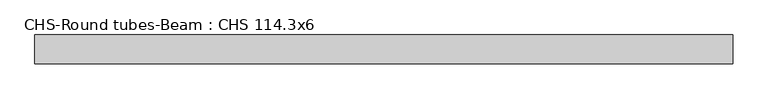
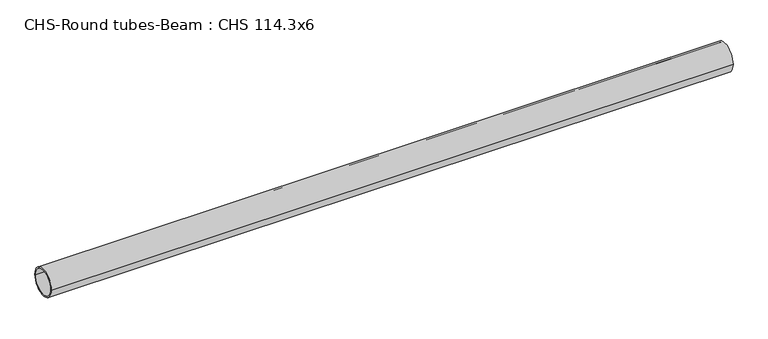
"""IFC4 building model written with IfcOpenShell, lengths in millimetres: beam geometry, CHS-Round tubes-Beam : CHS 114.3x6."""

from ifc_helpers import new_model, si_unit, point, frame, origin, origin_2d, place, context, project, spatial, circle_curve, trimmed, segment, composite_curve, outline, extrude, source, transform, mapped, element, save


def chs_round_tubes_beam_chs_114_3x6_51c2eecc(model_context):
    return source(origin(), model_context, "Body", "SweptSolid", [
        extrude(outline(composite_curve([segment(trimmed(circle_curve(origin_2d(), 57.15), [point((57.15, 0.0))], [point((-57.15, 0.0))], False, "CARTESIAN"), True, "CONTINUOUS"), segment(trimmed(circle_curve(origin_2d(), 57.15), [point((-57.15, 0.0))], [point((57.15, 0.0))], False, "CARTESIAN"), True, "CONTINUOUS")], self_intersect=False), holes=[composite_curve([segment(trimmed(circle_curve(origin_2d(), 51.15), [point((51.15, 0.0))], [point((-51.15, 0.0))], True, "CARTESIAN"), True, "CONTINUOUS"), segment(trimmed(circle_curve(origin_2d(), 51.15), [point((-51.15, 0.0))], [point((51.15, 0.0))], True, "CARTESIAN"), True, "CONTINUOUS")], self_intersect=False)]), frame((-1387.6364338, 0.0, 0.0), z_axis=(1.0, 0.0, 0.0), x_axis=(0.0, 1.0, 0.0)), (0.0, 0.0, 1.0), 2761.7658622),
    ])


if __name__ == "__main__":
    model = new_model("IFC4")
    model_context = context("Model", 3, world=origin())
    ifc_project = project(units=[si_unit("LENGTHUNIT", "METRE", prefix="MILLI")], contexts=[model_context])
    site = spatial("IfcSite", under=ifc_project)
    building = spatial("IfcBuilding", under=site)
    placement = place(None, origin())
    chs_round_tubes_beam_chs_114_3x6_shape = chs_round_tubes_beam_chs_114_3x6_51c2eecc(model_context)
    element("IfcBeam", 1, ObjectType="CHS-Round tubes-Beam : CHS 114.3x6", at=placement, inside=building, context=model_context, shape_type="MappedRepresentation", body=[
        mapped(chs_round_tubes_beam_chs_114_3x6_shape, transform((0.0, 0.0, 0.0), x_axis=(1.0, 0.0, 0.0), y_axis=(0.0, 1.0, 0.0), z_axis=(0.0, 0.0, 1.0))),
    ])
    save(model, "model.ifc")
